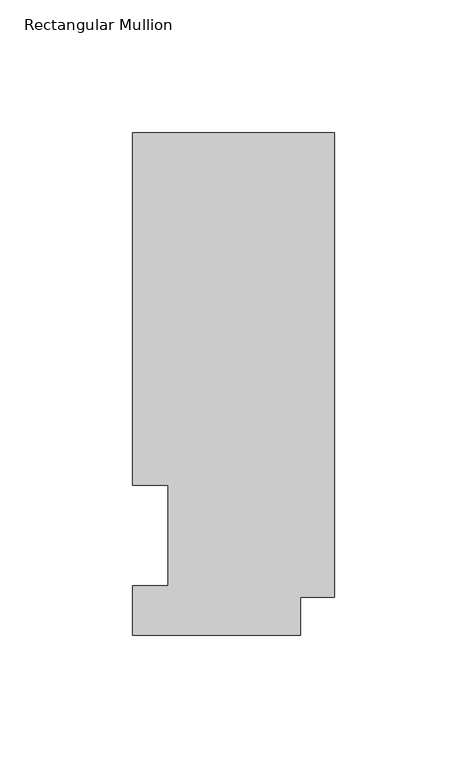
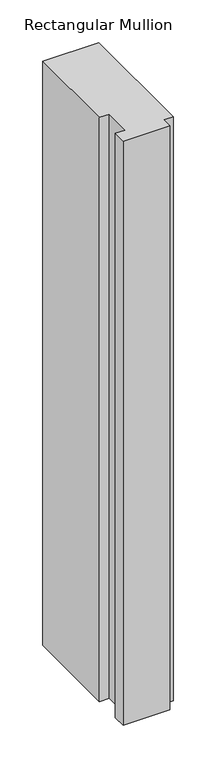
"""IFC4 building model written with IfcOpenShell, lengths in millimetres: member geometry, Rectangular Mullion."""

from ifc_helpers import new_model, si_unit, frame, origin, place, context, project, spatial, polyline, outline, extrude, source, transform, mapped, element, save


def rectangular_mullion_12951f24(model_context):
    return source(origin(), model_context, "Body", "SweptSolid", [
        extrude(outline(polyline([(0.0, 189.6483063), (0.0, 14.2613062), (-12.7016245, 14.2613062), (-12.7016245, 0.0627063), (-76.2, 0.0627063), (-76.2, 18.6047062), (-62.7126, 18.6047062), (-62.7126, 56.6539063), (-76.2, 56.6539063), (-76.2, 189.6483063), (0.0, 189.6483063)])), frame((0.0, 0.0, -838.2), z_axis=(0.0, 0.0, 1.0), x_axis=(1.0, 0.0, 0.0)), (0.0, 0.0, 1.0), 838.2),
    ])


if __name__ == "__main__":
    model = new_model("IFC4")
    model_context = context("Model", 3, world=origin())
    ifc_project = project(units=[si_unit("LENGTHUNIT", "METRE", prefix="MILLI")], contexts=[model_context])
    site = spatial("IfcSite", under=ifc_project)
    building = spatial("IfcBuilding", under=site)
    placement = place(None, origin())
    rectangular_mullion_shape = rectangular_mullion_12951f24(model_context)
    element("IfcMember", 1, ObjectType="Rectangular Mullion", at=placement, inside=building, context=model_context, shape_type="MappedRepresentation", body=[
        mapped(rectangular_mullion_shape, transform((0.0, 0.0, 0.0), x_axis=(1.0, 0.0, 0.0), y_axis=(0.0, 1.0, 0.0), z_axis=(0.0, 0.0, 1.0))),
    ])
    save(model, "model.ifc")
